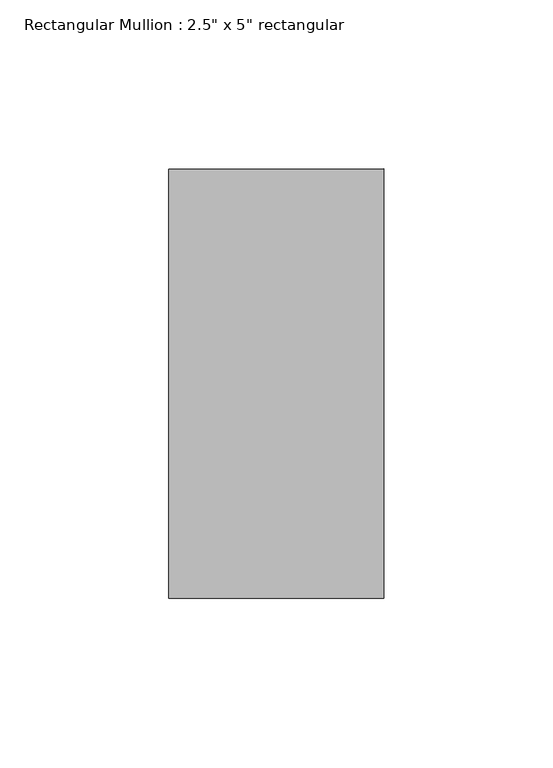
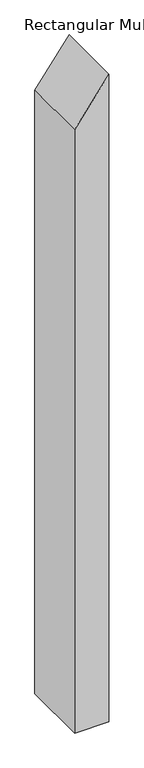
"""IFC4 building model written with IfcOpenShell, lengths in millimetres: member geometry."""

from ifc_helpers import new_model, si_unit, frame, origin, place, context, project, spatial, polyline, outline, extrude, source, transform, mapped, element, save


def member_36c746e9(model_context):
    return source(origin(), model_context, "Body", "SweptSolid", [
        extrude(outline(polyline([(0.0, 0.0), (-85.8858203, -63.5), (-1266.859593, -63.5), (-1266.859593, 0.0), (0.0, 0.0)])), frame((0.0, -63.5, 0.0), z_axis=(0.0, 1.0, 0.0), x_axis=(0.0, 0.0, 1.0)), (0.0, 0.0, 1.0), 127.0),
    ])


if __name__ == "__main__":
    model = new_model("IFC4")
    model_context = context("Model", 3, world=origin())
    ifc_project = project(units=[si_unit("LENGTHUNIT", "METRE", prefix="MILLI")], contexts=[model_context])
    site = spatial("IfcSite", under=ifc_project)
    building = spatial("IfcBuilding", under=site)
    placement = place(None, origin())
    member_shape = member_36c746e9(model_context)
    element("IfcMember", 1, ObjectType="Rectangular Mullion : 2.5\" x 5\" rectangular", at=placement, inside=building, context=model_context, shape_type="MappedRepresentation", body=[
        mapped(member_shape, transform((0.0, 0.0, 0.0), x_axis=(1.0, 0.0, 0.0), y_axis=(0.0, 1.0, 0.0), z_axis=(0.0, 0.0, 1.0))),
    ])
    save(model, "model.ifc")
